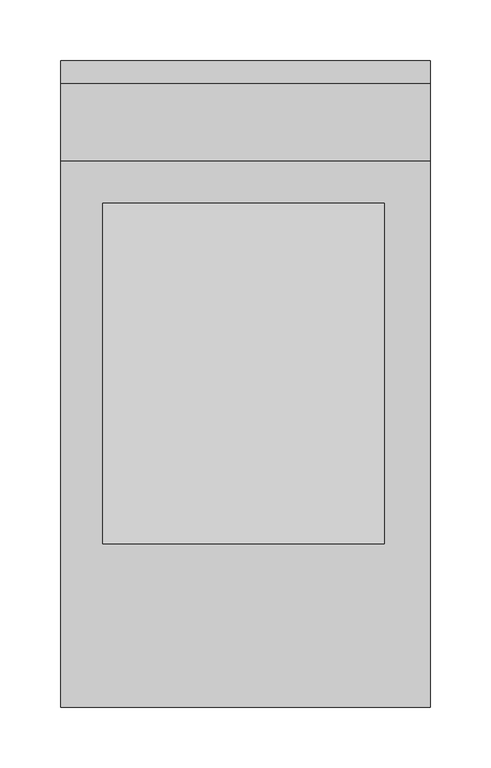
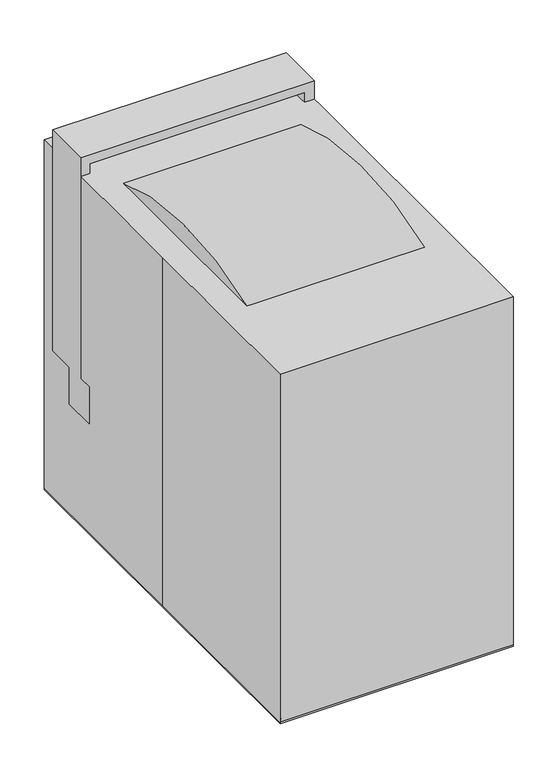
"""IFC4 building model written with IfcOpenShell, lengths in millimetres: proxy geometry."""

import ifcopenshell
import ifcopenshell.guid

model = None  # the IFC model being written
_history = None  # IfcOwnerHistory: only IFC2X3 demands one
_inside = {}  # id of a spatial element -> (the spatial element, [elements in it])
_under = {}  # id of a project, library or spatial element -> (it, [spatial elements below it])
_declared = {}  # id of a project -> (the project, [libraries it declares])
_typed = {}  # id of a type object -> (the type object, [elements of that type])
_made_of = {}  # id of a material, layer set ... -> (it, [elements and type objects made of it])


def new_model(schema):
    """Start an empty IFC model of exactly this schema.

    Asked for "IFC4X3", IfcOpenShell would pick the latest addendum, in which some entities
    have other attributes; the version numbers below select the first issue.
    IFC2X3 requires an IfcOwnerHistory on every rooted entity: one is made here for all.
    """
    global model, _history
    if schema == "IFC4X3":
        model = ifcopenshell.file(schema_version=(4, 3, 0, 0))
    else:
        model = ifcopenshell.file(schema=schema)
    _inside.clear()
    _under.clear()
    _declared.clear()
    _typed.clear()
    _made_of.clear()
    _history = None
    if model.schema == "IFC2X3":
        org = make("IfcOrganization", Name="unknown")
        user = make(
            "IfcPersonAndOrganization",
            ThePerson=make("IfcPerson", FamilyName="unknown"),
            TheOrganization=org,
        )
        app = make(
            "IfcApplication",
            ApplicationDeveloper=org,
            Version="unknown",
            ApplicationFullName="unknown",
            ApplicationIdentifier="unknown",
        )
        _history = make(
            "IfcOwnerHistory",
            OwningUser=user,
            OwningApplication=app,
            ChangeAction="ADDED",
            CreationDate=0,
        )
    return model


def make(cls, **values):
    """One entity of the class cls with the attributes given. An attribute that is None is left unset."""
    return model.create_entity(
        cls, **{name: value for name, value in values.items() if value is not None}
    )


def rooted(cls, **values):
    """An entity with a GlobalId (a new one), such as an element, a storey or a relation."""
    return make(cls, GlobalId=ifcopenshell.guid.new(), OwnerHistory=_history, **values)


def si_unit(unit_type, name, prefix=None):
    """IfcSIUnit, for example si_unit("LENGTHUNIT", "METRE", prefix="MILLI")."""
    return make("IfcSIUnit", UnitType=unit_type, Prefix=prefix, Name=name)


def assignment(units):
    """IfcUnitAssignment: the units of a project."""
    return None if units is None else make("IfcUnitAssignment", Units=units)


def point(xyz):
    """IfcCartesianPoint."""
    return None if xyz is None else make("IfcCartesianPoint", Coordinates=xyz)


def direction(xyz):
    """IfcDirection."""
    return None if xyz is None else make("IfcDirection", DirectionRatios=xyz)


def frame(location, z_axis=None, x_axis=None):
    """IfcAxis2Placement3D, a coordinate frame: its origin and axes. An axis left out is left unset."""
    return make(
        "IfcAxis2Placement3D",
        Location=point(location),
        Axis=direction(z_axis),
        RefDirection=direction(x_axis),
    )


def frame_2d(location, x_axis=None):
    """IfcAxis2Placement2D, a coordinate frame in the plane: its origin and x axis."""
    return make(
        "IfcAxis2Placement2D", Location=point(location), RefDirection=direction(x_axis)
    )


def origin():
    """The frame at (0, 0, 0) with its axes left unset."""
    return frame((0.0, 0.0, 0.0))


def origin_with_axes():
    """The frame at (0, 0, 0) with the z axis (0, 0, 1) and the x axis (1, 0, 0) written out."""
    return frame((0.0, 0.0, 0.0), z_axis=(0.0, 0.0, 1.0), x_axis=(1.0, 0.0, 0.0))


def place(relative_to, where):
    """IfcLocalPlacement: puts the frame where relative to a parent placement (None: the world)."""
    return make(
        "IfcLocalPlacement", PlacementRelTo=relative_to, RelativePlacement=where
    )


def context(
    kind, dimensions, precision=None, world=None, true_north=None, identifier=None
):
    """IfcGeometricRepresentationContext, for example the 3D "Model" context."""
    return make(
        "IfcGeometricRepresentationContext",
        ContextIdentifier=identifier,
        ContextType=kind,
        CoordinateSpaceDimension=dimensions,
        Precision=precision,
        WorldCoordinateSystem=world,
        TrueNorth=true_north,
    )


def project(units=None, contexts=None):
    """IfcProject with its units and contexts."""
    return rooted(
        "IfcProject",
        Name="project",
        RepresentationContexts=contexts,
        UnitsInContext=assignment(units),
    )


def spatial(cls, under=None, at=None, **own):
    """A site, building, storey or space (cls), placed at a placement, below another one or the project."""
    s = rooted(cls, ObjectPlacement=at, **own)
    if under is not None:
        _under.setdefault(under.id(), (under, []))[1].append(s)
    return s


def polyline(points):
    """IfcPolyline through the points."""
    return make("IfcPolyline", Points=[point(p) for p in points])


def circle_curve(where, radius):
    """IfcCircle in the frame where."""
    return make("IfcCircle", Position=where, Radius=radius)


def trimmed(basis, trim1, trim2, sense, master):
    """IfcTrimmedCurve: the piece of a basis curve between two trims."""
    return make(
        "IfcTrimmedCurve",
        BasisCurve=basis,
        Trim1=trim1,
        Trim2=trim2,
        SenseAgreement=sense,
        MasterRepresentation=master,
    )


def segment(curve, same_sense, transition):
    """IfcCompositeCurveSegment."""
    return make(
        "IfcCompositeCurveSegment",
        Transition=transition,
        SameSense=same_sense,
        ParentCurve=curve,
    )


def composite_curve(segments, self_intersect=None):
    """IfcCompositeCurve: segments joined end to end."""
    return make("IfcCompositeCurve", Segments=segments, SelfIntersect=self_intersect)


def outline(outer, holes=None, kind="AREA"):
    """IfcArbitraryClosedProfileDef: a profile drawn as a closed curve; with holes, ...WithVoids."""
    if holes is None:
        return make("IfcArbitraryClosedProfileDef", ProfileType=kind, OuterCurve=outer)
    return make(
        "IfcArbitraryProfileDefWithVoids",
        ProfileType=kind,
        OuterCurve=outer,
        InnerCurves=holes,
    )


def extrude(swept, where, along, depth):
    """IfcExtrudedAreaSolid: the profile swept, set in the frame where, extruded along a direction by depth."""
    return make(
        "IfcExtrudedAreaSolid",
        SweptArea=swept,
        Position=where,
        ExtrudedDirection=direction(along),
        Depth=depth,
    )


def faces_of(points, faces, orient=None, outer=None):
    """IfcFace entities. A face is a list of loops; a loop is a list of indices into points, from 0.

    orient and outer hold one flag for each loop. By default every Orientation is true, the
    first loop of a face is its IfcFaceOuterBound and the others are IfcFaceBound.
    """
    made = []
    for i, loops in enumerate(faces):
        bounds = []
        for j, loop in enumerate(loops):
            is_outer = j == 0 if outer is None else outer[i][j]
            bounds.append(
                make(
                    "IfcFaceOuterBound" if is_outer else "IfcFaceBound",
                    Bound=make("IfcPolyLoop", Polygon=[points[k] for k in loop]),
                    Orientation=True if orient is None else orient[i][j],
                )
            )
        made.append(make("IfcFace", Bounds=bounds))
    return made


def faceted_brep(points, faces, orient=None, outer=None, voids=None):
    """IfcFacetedBrep: a solid bounded by flat faces; with voids (closed shells), ...WithVoids."""
    shared = [point(p) for p in points]
    hull = make("IfcClosedShell", CfsFaces=faces_of(shared, faces, orient, outer))
    if voids is None:
        return make("IfcFacetedBrep", Outer=hull)
    return make(
        "IfcFacetedBrepWithVoids",
        Outer=hull,
        Voids=[
            make(cls, CfsFaces=faces_of(shared, fs, o, b)) for cls, fs, o, b in voids
        ],
    )


def shape(context_of_items, identifier, shape_type, items):
    """IfcShapeRepresentation: the items that make up one representation, for example the "Body"."""
    return make(
        "IfcShapeRepresentation",
        ContextOfItems=context_of_items,
        RepresentationIdentifier=identifier,
        RepresentationType=shape_type,
        Items=items,
    )


def source(mapping_origin, context_of_items, identifier, shape_type, items):
    """IfcRepresentationMap: a shape defined once, which mapped items show again and again."""
    return make(
        "IfcRepresentationMap",
        MappingOrigin=mapping_origin,
        MappedRepresentation=shape(context_of_items, identifier, shape_type, items),
    )


def transform(
    local_origin,
    x_axis=None,
    y_axis=None,
    z_axis=None,
    scale=None,
    scale2=None,
    scale3=None,
    uniform=True,
):
    """IfcCartesianTransformationOperator3D, or its non-uniform kind. x_axis, y_axis, z_axis: its Axis1, 2, 3."""
    if uniform:
        return make(
            "IfcCartesianTransformationOperator3D",
            Axis1=direction(x_axis),
            Axis2=direction(y_axis),
            LocalOrigin=point(local_origin),
            Scale=scale,
            Axis3=direction(z_axis),
        )
    return make(
        "IfcCartesianTransformationOperator3DnonUniform",
        Axis1=direction(x_axis),
        Axis2=direction(y_axis),
        LocalOrigin=point(local_origin),
        Scale=scale,
        Axis3=direction(z_axis),
        Scale2=scale2,
        Scale3=scale3,
    )


def mapped(mapping_source, mapping_target):
    """IfcMappedItem: shows the shape of a source again, moved by a transform."""
    return make(
        "IfcMappedItem", MappingSource=mapping_source, MappingTarget=mapping_target
    )


def made_of(thing, what):
    """Note that an element or type object is made of a material, layer set ...; save() writes the relation."""
    if what is not None:
        _made_of.setdefault(what.id(), (what, []))[1].append(thing)
    return thing


def element(
    cls,
    number,
    at=None,
    inside=None,
    cuts=None,
    type_object=None,
    material=None,
    context=None,
    identifier="Body",
    shape_type=None,
    held_by="IfcProductDefinitionShape",
    body=None,
    shapes=None,
    **own,
):
    """One element of the class cls, such as IfcWall. Its Tag is "e" and its number.

    at: its placement. inside: the storey or other place that contains it. cuts: it is an
    opening in that element (IfcRelVoidsElement). A single representation is given by context,
    identifier, shape_type and body (its items); several are given by shapes. held_by: the class
    of the entity that holds the representations. save() writes the other relations.
    """
    e = rooted(cls, Tag="e%d" % number, ObjectPlacement=at, **own)
    if body is not None:
        shapes = [shape(context, identifier, shape_type, body)]
    if shapes is not None:
        e.Representation = make(held_by, Representations=shapes)
    if inside is not None:
        _inside.setdefault(inside.id(), (inside, []))[1].append(e)
    if cuts is not None:
        rooted(
            "IfcRelVoidsElement", RelatingBuildingElement=cuts, RelatedOpeningElement=e
        )
    if type_object is not None:
        _typed.setdefault(type_object.id(), (type_object, []))[1].append(e)
    return made_of(e, material)


def aggregate(whole, parts):
    """IfcRelAggregates: a whole, such as a stair, and the parts it consists of."""
    return rooted("IfcRelAggregates", RelatingObject=whole, RelatedObjects=parts)


def save(model, path):
    """Write the relations noted so far, then the file.

    IfcRelAggregates (storeys below a building ...), IfcRelContainedInSpatialStructure (elements
    in a storey), IfcRelDefinesByType, IfcRelAssociatesMaterial and IfcRelDeclares: one each for
    every whole, place, type object, material and project.
    """
    for whole, parts in _under.values():
        aggregate(whole, parts)
    for where, things in _inside.values():
        rooted(
            "IfcRelContainedInSpatialStructure",
            RelatedElements=things,
            RelatingStructure=where,
        )
    for kind, things in _typed.values():
        rooted("IfcRelDefinesByType", RelatedObjects=things, RelatingType=kind)
    for what, things in _made_of.values():
        rooted("IfcRelAssociatesMaterial", RelatedObjects=things, RelatingMaterial=what)
    for by, libraries in _declared.values():
        rooted("IfcRelDeclares", RelatingContext=by, RelatedDefinitions=libraries)
    model.write(path)


def plane_surface(at):
    """IfcPlane: the flat surface through the origin of the frame at, square to its z axis."""
    return make("IfcPlane", Position=at)


def cylinder_surface(at, radius):
    """IfcCylindricalSurface: all points at the distance radius from the z axis of the frame at."""
    return make("IfcCylindricalSurface", Position=at, Radius=radius)


def revolved_surface(curve, axis_point, axis_direction):
    """IfcSurfaceOfRevolution: the curve turned about the line through axis_point along axis_direction."""
    return make(
        "IfcSurfaceOfRevolution",
        SweptCurve=make("IfcArbitraryOpenProfileDef", ProfileType="CURVE", Curve=curve),
        AxisPosition=make("IfcAxis1Placement", Location=point(axis_point), Axis=direction(axis_direction)),
    )


def advanced_brep(points, edges, surfaces, faces):
    """IfcAdvancedBrep: a solid bounded by faces that lie on surfaces and meet in shared edges.

    An edge is (start, end): straight between two places in points (the first is 0);
    or (start, end, curve); or (start, end, curve, False) where it runs against its curve.
    A face is (place in surfaces, loops), or (place, loops, False) where it looks against
    its surface's normal. A loop lists edges by number (the first is 1), with a minus sign
    where the edge is run from its end to its start. The first loop is the outer one.
    """
    corners = [point(p) for p in points]
    vertices = [make("IfcVertexPoint", VertexGeometry=c) for c in corners]
    made = []
    for start, end, *more in edges:
        made.append(
            make(
                "IfcEdgeCurve",
                EdgeStart=vertices[start],
                EdgeEnd=vertices[end],
                EdgeGeometry=more[0] if more else make("IfcPolyline", Points=[corners[start], corners[end]]),
                SameSense=more[1] if len(more) > 1 else True,
            )
        )
    hull = []
    for where, loops, *sense in faces:
        bounds = []
        for j, loop in enumerate(loops):
            ring = [make("IfcOrientedEdge", EdgeElement=made[abs(k) - 1], Orientation=k > 0) for k in loop]
            bounds.append(
                make(
                    "IfcFaceOuterBound" if j == 0 else "IfcFaceBound",
                    Bound=make("IfcEdgeLoop", EdgeList=ring),
                    Orientation=True,
                )
            )
        hull.append(make("IfcAdvancedFace", Bounds=bounds, FaceSurface=surfaces[where], SameSense=sense[0] if sense else True))
    return make("IfcAdvancedBrep", Outer=make("IfcClosedShell", CfsFaces=hull))


def specialty_equipment_c119d476(model_context):
    return source(origin(), model_context, "Body", "SolidModel", [
        faceted_brep([(152.4, 209.55, 203.2), (152.4, 247.65, 203.2), (152.4, 247.65, 508.0), (152.4, 184.15, 508.0), (152.4, 184.15, 203.2), (152.4, 165.1, 203.2), (152.4, 165.1, 152.4), (152.4, 209.55, 152.4), (-152.4, 209.55, 203.2), (-152.4, 209.55, 152.4), (-152.4, 165.1, 152.4), (-152.4, 165.1, 203.2), (-152.4, 184.15, 203.2), (-152.4, 184.15, 508.0), (-152.4, 247.65, 508.0), (-152.4, 247.65, 203.2), (-139.7, 247.65, 495.3), (-139.7, 247.65, 215.9), (139.7, 247.65, 215.9), (139.7, 247.65, 495.3), (-139.7, 184.15, 215.9), (-139.7, 184.15, 495.3), (139.7, 184.15, 495.3), (139.7, 184.15, 215.9)], [[[0, 1, 2, 3, 4, 5, 6, 7]], [[8, 9, 10, 11, 12, 13, 14, 15]], [[1, 0, 8, 15]], [[2, 1, 15, 14], [16, 17, 18, 19]], [[3, 2, 14, 13]], [[4, 3, 13, 12], [20, 21, 22, 23]], [[5, 4, 12, 11]], [[6, 5, 11, 10]], [[7, 6, 10, 9]], [[0, 7, 9, 8]], [[16, 21, 20, 17]], [[17, 20, 23, 18]], [[18, 23, 22, 19]], [[21, 16, 19, 22]]]),
        advanced_brep(
        [(-9.525, -213.2697439, 173.2295174), (9.525, -213.2697439, 173.2295174), (9.525, -213.2697439, 160.5295174), (-9.525, -213.2697439, 160.5295174), (-17.0579132, -213.2697439, 193.9260265), (17.0579132, -213.2697439, 193.9260265), (-17.0579132, -213.2697439, 232.0260265), (17.0579132, -213.2697439, 232.0260265), (-9.525, -213.2697439, 245.0734149), (9.525, -213.2697439, 245.0734149), (0.0, -213.2697439, 245.0734149), (-14.2185791, -213.2697439, 152.4), (14.2185791, -213.2697439, 152.4), (0.0, -213.2697439, 152.4)],
        [
            (0, 1, circle_curve(frame((0.0, -213.2697439, 173.2295174), z_axis=(0.0, 0.0, -1.0), x_axis=(1.0, 0.0, 0.0)), 9.525)),
            (1, 2),
            (2, 3, circle_curve(frame((0.0, -213.2697439, 160.5295174), z_axis=(0.0, 0.0, 1.0), x_axis=(1.0, 0.0, 0.0)), 9.525)),
            (3, 0),
            (1, 0, circle_curve(frame((0.0, -213.2697439, 173.2295174), z_axis=(0.0, 0.0, -1.0), x_axis=(1.0, 0.0, 0.0)), 9.525)),
            (3, 2, circle_curve(frame((0.0, -213.2697439, 160.5295174), z_axis=(0.0, 0.0, 1.0), x_axis=(1.0, 0.0, 0.0)), 9.525)),
            (4, 5, circle_curve(frame((0.0, -213.2697439, 193.9260265), z_axis=(0.0, 0.0, -1.0), x_axis=(1.0, 0.0, 0.0)), 17.0579132)),
            (5, 1),
            (0, 4),
            (5, 4, circle_curve(frame((0.0, -213.2697439, 193.9260265), z_axis=(0.0, 0.0, -1.0), x_axis=(1.0, 0.0, 0.0)), 17.0579132)),
            (6, 7, circle_curve(frame((0.0, -213.2697439, 232.0260265), z_axis=(0.0, 0.0, -1.0), x_axis=(1.0, 0.0, 0.0)), 17.0579132)),
            (7, 5),
            (4, 6),
            (7, 6, circle_curve(frame((0.0, -213.2697439, 232.0260265), z_axis=(0.0, 0.0, -1.0), x_axis=(1.0, 0.0, 0.0)), 17.0579132)),
            (8, 9, circle_curve(frame((0.0, -213.2697439, 245.0734149), z_axis=(0.0, 0.0, -1.0), x_axis=(1.0, 0.0, 0.0)), 9.525)),
            (9, 7),
            (6, 8),
            (9, 8, circle_curve(frame((0.0, -213.2697439, 245.0734149), z_axis=(0.0, 0.0, -1.0), x_axis=(1.0, 0.0, 0.0)), 9.525)),
            (10, 9),
            (8, 10),
            (11, 12, circle_curve(frame((0.0, -213.2697439, 152.4), z_axis=(0.0, 0.0, -1.0), x_axis=(1.0, 0.0, 0.0)), 14.2185791)),
            (12, 13),
            (13, 11),
            (12, 11, circle_curve(frame((0.0, -213.2697439, 152.4), z_axis=(0.0, 0.0, -1.0), x_axis=(1.0, 0.0, 0.0)), 14.2185791)),
            (2, 12),
            (11, 3),
        ],
        [
            cylinder_surface(frame((0.0, -213.2697439, 2468.7603316), z_axis=(0.0, 0.0, 1.0), x_axis=(1.0, 0.0, 0.0)), 9.525),
            revolved_surface(polyline([(9.525, -213.2697439, 173.2295174), (17.0579132, -213.2697439, 193.9260265)]), (0.0, -213.2697439, 2468.7603316), (0.0, 0.0, 1.0)),
            cylinder_surface(frame((0.0, -213.2697439, 2468.7603316), z_axis=(0.0, 0.0, 1.0), x_axis=(1.0, 0.0, 0.0)), 17.0579132),
            revolved_surface(polyline([(17.0579132, -213.2697439, 232.0260265), (9.525, -213.2697439, 245.0734149)]), (0.0, -213.2697439, 2468.7603316), (0.0, 0.0, 1.0)),
            plane_surface(frame((0.0, -213.2697439, 245.0734149), z_axis=(0.0, 0.0, 1.0), x_axis=(1.0, 0.0, 0.0))),
            plane_surface(frame((0.0, -213.2697439, 152.4), z_axis=(0.0, 0.0, -1.0), x_axis=(1.0, 0.0, 0.0))),
            revolved_surface(polyline([(14.2185791, -213.2697439, 152.4), (9.525, -213.2697439, 160.5295174)]), (0.0, -213.2697439, 2468.7603316), (0.0, 0.0, 1.0)),
        ],
        [
            (0, [[1, 2, 3, 4]]),
            (0, [[5, -4, 6, -2]]),
            (1, [[7, 8, -1, 9]]),
            (1, [[10, -9, -5, -8]]),
            (2, [[11, 12, -7, 13]]),
            (2, [[14, -13, -10, -12]]),
            (3, [[15, 16, -11, 17]]),
            (3, [[18, -17, -14, -16]]),
            (4, [[19, -15, 20]]),
            (4, [[-20, -18, -19]]),
            (5, [[21, 22, 23]]),
            (5, [[24, -23, -22]]),
            (6, [[-3, 25, -21, 26]]),
            (6, [[-6, -26, -24, -25]]),
        ],
    ),
        extrude(outline(composite_curve([segment(polyline([(158.4925945, 479.3061746), (158.4925945, 326.9061746), (82.2925945, 326.9061746), (82.2925945, 307.8561746), (69.5925945, 307.8561746)]), True, "CONTINUOUS"), segment(trimmed(circle_curve(frame_2d((69.5925945, 276.1061746)), 31.75), [point((69.5925945, 307.8561746))], [point((37.8425945, 276.1061746))], True, "CARTESIAN"), True, "CONTINUOUS"), segment(polyline([(37.8425945, 276.1061746), (37.8425945, 180.8561746), (21.4134144, 152.4), (-127.2574055, 152.4), (-127.2574055, 251.8966403)]), True, "CONTINUOUS"), segment(trimmed(circle_curve(frame_2d((-228.8574055, 251.8966403)), 101.6), [point((-127.2574055, 251.8966403))], [point((-166.528747, 332.1319089))], True, "CARTESIAN"), True, "CONTINUOUS"), segment(polyline([(-166.528747, 332.1319089), (-184.1630905, 345.8306849), (-131.8495441, 482.1121324)]), True, "CONTINUOUS"), segment(trimmed(circle_curve(frame_2d((9.7360512, 109.7077933)), 398.4111853), [point((-131.8495441, 482.1121324))], [point((158.4925945, 479.3061746))], False, "CARTESIAN"), True, "CONTINUOUS")], self_intersect=False)), frame((-117.4829861, 0.0, 0.0), z_axis=(1.0, 0.0, 0.0), x_axis=(0.0, 1.0, 0.0)), (0.0, 0.0, 1.0), 231.8494568),
        faceted_brep([(133.35, 247.65, 152.4), (-133.35, 247.65, 152.4), (-133.35, -247.65, 152.4), (133.35, -247.65, 152.4), (139.7, 254.0, 78.3088999), (139.7, -254.0, 78.3088999), (-139.7, -254.0, 78.3088999), (-139.7, 254.0, 78.3088999)], [[[0, 1, 2, 3]], [[4, 5, 6, 7]], [[4, 7, 1, 0]], [[7, 6, 2, 1]], [[6, 5, 3, 2]], [[5, 4, 0, 3]]]),
        faceted_brep([(139.7, 254.0, 78.3088999), (-139.7, 254.0, 78.3088999), (-139.7, -254.0, 78.3088999), (139.7, -254.0, 78.3088999), (152.4, 266.7, 0.0), (152.4, -266.7, 0.0), (-152.4, -266.7, 0.0), (-152.4, 266.7, 0.0)], [[[0, 1, 2, 3]], [[4, 5, 6, 7]], [[4, 7, 1, 0]], [[7, 6, 2, 1]], [[6, 5, 3, 2]], [[5, 4, 0, 3]]]),
        extrude(outline(polyline([(-152.4, 266.7), (152.4, 266.7), (152.4, -266.7), (-152.4, -266.7), (-152.4, 0.0), (-152.4, 266.7)])), origin_with_axes(), (0.0, 0.0, 1.0), 482.6),
    ])


if __name__ == "__main__":
    model = new_model("IFC4")
    model_context = context("Model", 3, world=origin())
    ifc_project = project(units=[si_unit("LENGTHUNIT", "METRE", prefix="MILLI")], contexts=[model_context])
    site = spatial("IfcSite", under=ifc_project)
    building = spatial("IfcBuilding", under=site)
    placement = place(None, origin())
    specialty_equipment_shape = specialty_equipment_c119d476(model_context)
    element("IfcBuildingElementProxy", 1, Name="Specialty Equipment", at=placement, inside=building, context=model_context, shape_type="MappedRepresentation", body=[
        mapped(specialty_equipment_shape, transform((0.0, 0.0, 0.0), x_axis=(1.0, 0.0, 0.0), y_axis=(0.0, 1.0, 0.0), z_axis=(0.0, 0.0, 1.0))),
    ])
    save(model, "model.ifc")
